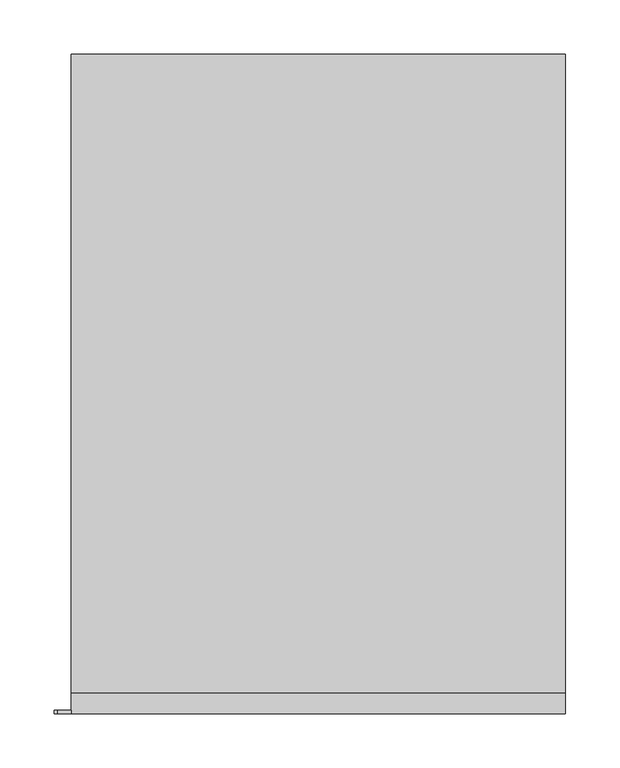
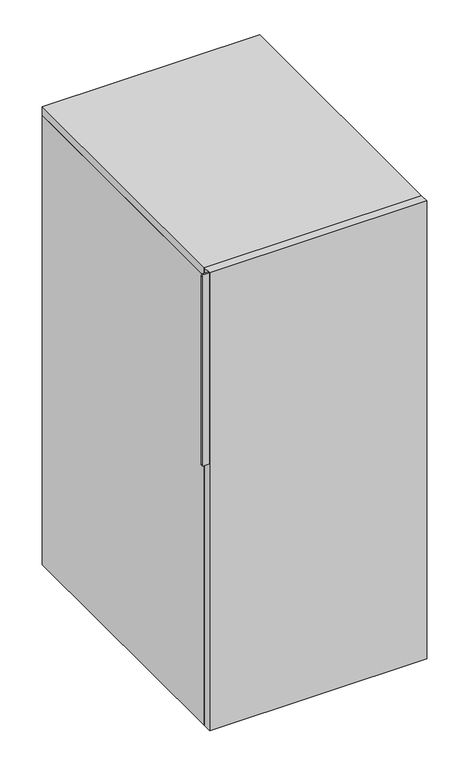
"""IFC4 building model written with IfcOpenShell, lengths in millimetres: furniture geometry."""

from ifc_helpers import new_model, si_unit, point, frame, frame_2d, origin, place, context, project, spatial, polyline, circle_curve, trimmed, segment, composite_curve, outline, extrude, source, transform, mapped, element, save


def furniture_0fcc8e35(model_context):
    return source(origin(), model_context, "Body", "SweptSolid", [
        extrude(outline(composite_curve([segment(polyline([(1028.7, -228.6), (1028.7, -241.3)]), True, "CONTINUOUS"), segment(trimmed(circle_curve(frame_2d((1025.525, -241.3)), 3.175), [point((1028.7, -241.3))], [point((1025.525, -244.475))], False, "CARTESIAN"), True, "CONTINUOUS"), segment(polyline([(1025.525, -244.475), (606.425, -244.475)]), True, "CONTINUOUS"), segment(trimmed(circle_curve(frame_2d((606.425, -241.3)), 3.175), [point((606.425, -244.475))], [point((603.25, -241.3))], False, "CARTESIAN"), True, "CONTINUOUS"), segment(polyline([(603.25, -241.3), (603.25, -228.6), (1028.7, -228.6)]), True, "CONTINUOUS")], self_intersect=False)), frame((0.0, -609.6, 0.0), z_axis=(0.0, 1.0, 0.0), x_axis=(0.0, 0.0, 1.0)), (0.0, 0.0, 1.0), 3.175),
        extrude(outline(polyline([(228.6, -609.6), (-228.6, -609.6), (-228.6, -590.55), (228.6, -590.55), (228.6, -609.6)])), frame((0.0, 0.0, 9.525), z_axis=(0.0, 0.0, 1.0), x_axis=(1.0, 0.0, 0.0)), (0.0, 0.0, 1.0), 1019.175),
        extrude(outline(polyline([(228.6, 0.0), (228.6, -590.55), (-228.6, -590.55), (-228.6, 0.0), (228.6, 0.0)])), frame((0.0, 0.0, 1009.65), z_axis=(0.0, 0.0, 1.0), x_axis=(1.0, 0.0, 0.0)), (0.0, 0.0, 1.0), 19.05),
        extrude(outline(polyline([(209.55, -19.05), (209.55, -590.55), (-209.55, -590.55), (-209.55, -19.05), (209.55, -19.05)])), frame((0.0, 0.0, 9.525), z_axis=(0.0, 0.0, 1.0), x_axis=(1.0, 0.0, 0.0)), (0.0, 0.0, 1.0), 19.05),
        extrude(outline(polyline([(228.6, 0.0), (228.6, -590.55), (209.55, -590.55), (209.55, -19.05), (-209.55, -19.05), (-209.55, -590.55), (-228.6, -590.55), (-228.6, 0.0), (228.6, 0.0)])), frame((0.0, 0.0, 9.525), z_axis=(0.0, 0.0, 1.0), x_axis=(1.0, 0.0, 0.0)), (0.0, 0.0, 1.0), 1000.125),
    ])


if __name__ == "__main__":
    model = new_model("IFC4")
    model_context = context("Model", 3, world=origin())
    ifc_project = project(units=[si_unit("LENGTHUNIT", "METRE", prefix="MILLI")], contexts=[model_context])
    site = spatial("IfcSite", under=ifc_project)
    building = spatial("IfcBuilding", under=site)
    placement = place(None, origin())
    furniture_shape = furniture_0fcc8e35(model_context)
    element("IfcFurniture", 1, at=placement, inside=building, context=model_context, shape_type="MappedRepresentation", body=[
        mapped(furniture_shape, transform((0.0, 0.0, 0.0), x_axis=(1.0, 0.0, 0.0), y_axis=(0.0, 1.0, 0.0), z_axis=(0.0, 0.0, 1.0))),
    ])
    save(model, "model.ifc")
